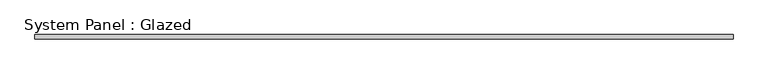
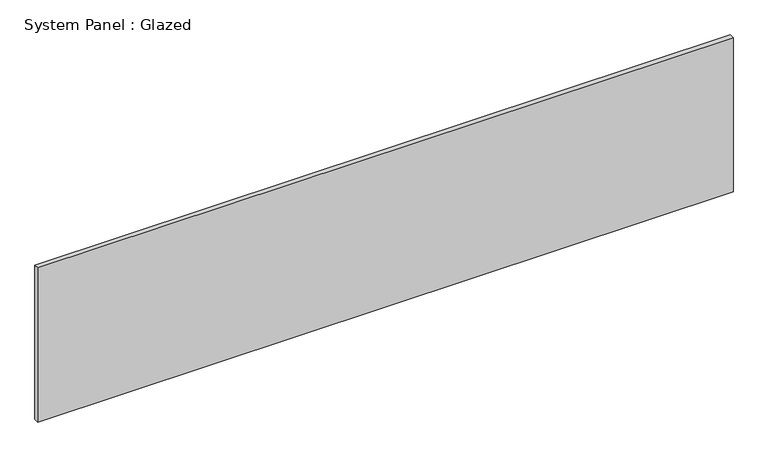
"""IFC4 building model written with IfcOpenShell, lengths in millimetres: plate geometry, System Panel : Glazed."""

from ifc_helpers import new_model, si_unit, origin, origin_with_axes, place, context, project, spatial, polyline, outline, extrude, source, transform, mapped, element, save


def system_panel_glazed_0b6f5408(model_context):
    return source(origin(), model_context, "Body", "SweptSolid", [
        extrude(outline(polyline([(1920.2764117, 24.5), (-1920.2764117, 24.5), (-1920.2764117, 49.5), (1920.2764117, 49.5), (1920.2764117, 24.5)])), origin_with_axes(), (0.0, 0.0, 1.0), 900.0),
    ])


if __name__ == "__main__":
    model = new_model("IFC4")
    model_context = context("Model", 3, world=origin())
    ifc_project = project(units=[si_unit("LENGTHUNIT", "METRE", prefix="MILLI")], contexts=[model_context])
    site = spatial("IfcSite", under=ifc_project)
    building = spatial("IfcBuilding", under=site)
    placement = place(None, origin())
    system_panel_glazed_shape = system_panel_glazed_0b6f5408(model_context)
    element("IfcPlate", 1, ObjectType="System Panel : Glazed", at=placement, inside=building, context=model_context, shape_type="MappedRepresentation", body=[
        mapped(system_panel_glazed_shape, transform((0.0, 0.0, 0.0), x_axis=(1.0, 0.0, 0.0), y_axis=(0.0, 1.0, 0.0), z_axis=(0.0, 0.0, 1.0))),
    ])
    save(model, "model.ifc")
